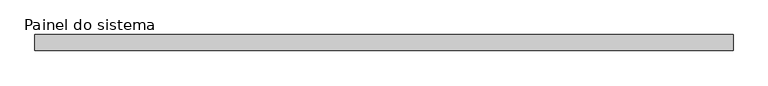
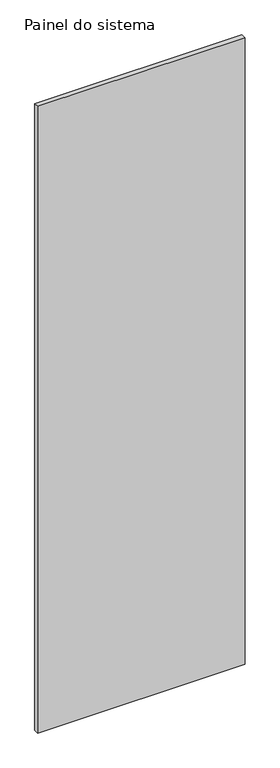
"""IFC4 building model written with IfcOpenShell, lengths in millimetres: plate geometry, Painel do sistema."""

from ifc_helpers import new_model, si_unit, origin, origin_with_axes, place, context, project, spatial, polyline, outline, extrude, source, transform, mapped, element, save


def painel_do_sistema_f2fabd79(model_context):
    return source(origin(), model_context, "Body", "SweptSolid", [
        extrude(outline(polyline([(547.9316058, -49.5), (-547.9316058, -49.5), (-547.9316058, -24.5), (547.9316058, -24.5), (547.9316058, -49.5)])), origin_with_axes(), (0.0, 0.0, 1.0), 3500.0),
    ])


if __name__ == "__main__":
    model = new_model("IFC4")
    model_context = context("Model", 3, world=origin())
    ifc_project = project(units=[si_unit("LENGTHUNIT", "METRE", prefix="MILLI")], contexts=[model_context])
    site = spatial("IfcSite", under=ifc_project)
    building = spatial("IfcBuilding", under=site)
    placement = place(None, origin())
    painel_do_sistema_shape = painel_do_sistema_f2fabd79(model_context)
    element("IfcPlate", 1, ObjectType="Painel do sistema", at=placement, inside=building, context=model_context, shape_type="MappedRepresentation", body=[
        mapped(painel_do_sistema_shape, transform((0.0, 0.0, 0.0), x_axis=(1.0, 0.0, 0.0), y_axis=(0.0, 1.0, 0.0), z_axis=(0.0, 0.0, 1.0))),
    ])
    save(model, "model.ifc")
